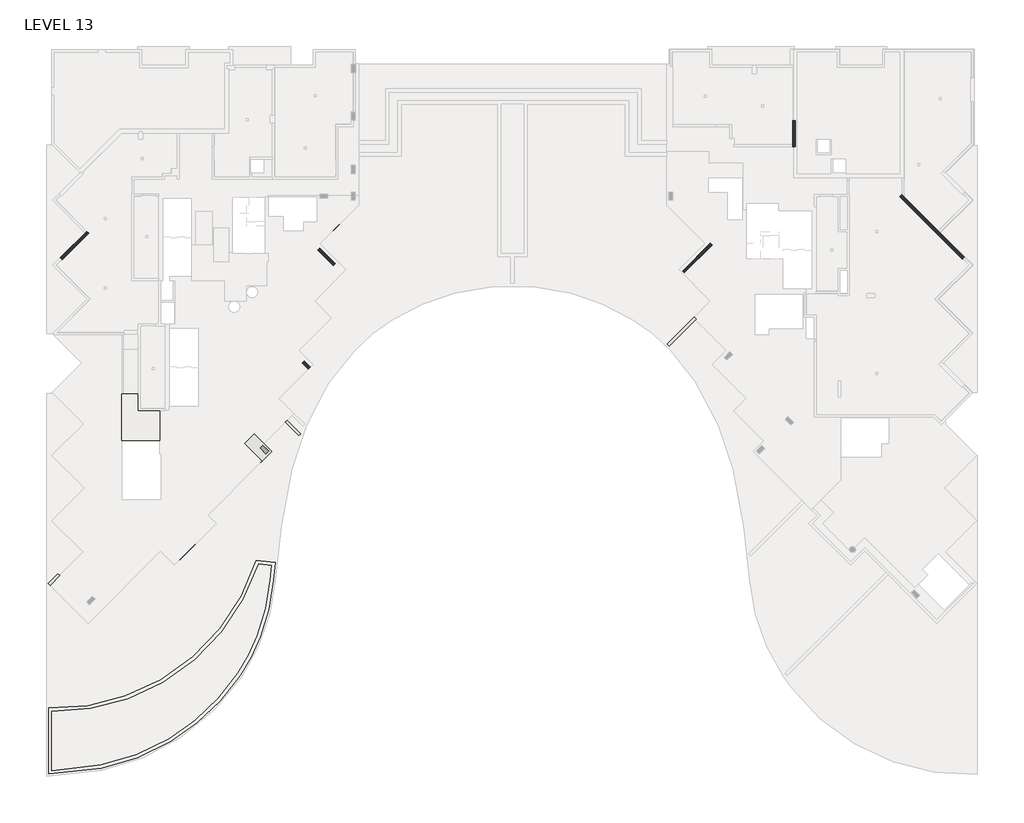
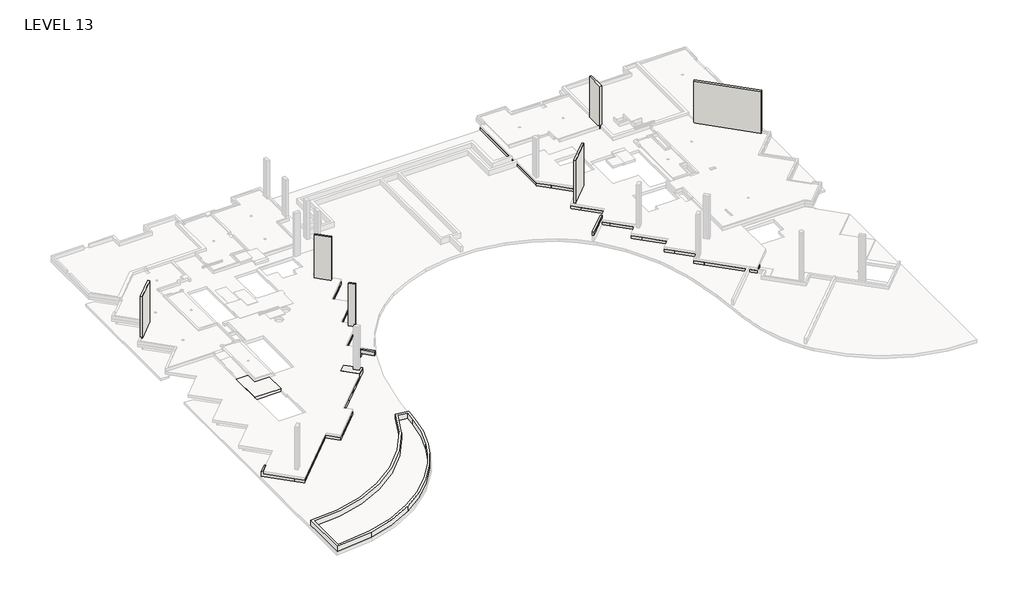
# One storey, part 1 of 5: 37 walls, 2 slabs.
"""IFC4 building model written with IfcOpenShell, lengths in millimetres."""

import ifcopenshell
import ifcopenshell.guid

model = None  # the IFC model being written
_history = None  # IfcOwnerHistory: only IFC2X3 demands one
_inside = {}  # id of a spatial element -> (the spatial element, [elements in it])
_under = {}  # id of a project, library or spatial element -> (it, [spatial elements below it])
_declared = {}  # id of a project -> (the project, [libraries it declares])
_typed = {}  # id of a type object -> (the type object, [elements of that type])
_made_of = {}  # id of a material, layer set ... -> (it, [elements and type objects made of it])


def new_model(schema):
    """Start an empty IFC model of exactly this schema.

    Asked for "IFC4X3", IfcOpenShell would pick the latest addendum, in which some entities
    have other attributes; the version numbers below select the first issue.
    IFC2X3 requires an IfcOwnerHistory on every rooted entity: one is made here for all.
    """
    global model, _history
    if schema == "IFC4X3":
        model = ifcopenshell.file(schema_version=(4, 3, 0, 0))
    else:
        model = ifcopenshell.file(schema=schema)
    _inside.clear()
    _under.clear()
    _declared.clear()
    _typed.clear()
    _made_of.clear()
    _history = None
    if model.schema == "IFC2X3":
        org = make("IfcOrganization", Name="unknown")
        user = make(
            "IfcPersonAndOrganization",
            ThePerson=make("IfcPerson", FamilyName="unknown"),
            TheOrganization=org,
        )
        app = make(
            "IfcApplication",
            ApplicationDeveloper=org,
            Version="unknown",
            ApplicationFullName="unknown",
            ApplicationIdentifier="unknown",
        )
        _history = make(
            "IfcOwnerHistory",
            OwningUser=user,
            OwningApplication=app,
            ChangeAction="ADDED",
            CreationDate=0,
        )
    return model


def make(cls, **values):
    """One entity of the class cls with the attributes given. An attribute that is None is left unset."""
    return model.create_entity(
        cls, **{name: value for name, value in values.items() if value is not None}
    )


def rooted(cls, **values):
    """An entity with a GlobalId (a new one), such as an element, a storey or a relation."""
    return make(cls, GlobalId=ifcopenshell.guid.new(), OwnerHistory=_history, **values)


def si_unit(unit_type, name, prefix=None):
    """IfcSIUnit, for example si_unit("LENGTHUNIT", "METRE", prefix="MILLI")."""
    return make("IfcSIUnit", UnitType=unit_type, Prefix=prefix, Name=name)


def assignment(units):
    """IfcUnitAssignment: the units of a project."""
    return None if units is None else make("IfcUnitAssignment", Units=units)


def point(xyz):
    """IfcCartesianPoint."""
    return None if xyz is None else make("IfcCartesianPoint", Coordinates=xyz)


def direction(xyz):
    """IfcDirection."""
    return None if xyz is None else make("IfcDirection", DirectionRatios=xyz)


def frame(location, z_axis=None, x_axis=None):
    """IfcAxis2Placement3D, a coordinate frame: its origin and axes. An axis left out is left unset."""
    return make(
        "IfcAxis2Placement3D",
        Location=point(location),
        Axis=direction(z_axis),
        RefDirection=direction(x_axis),
    )


def frame_2d(location, x_axis=None):
    """IfcAxis2Placement2D, a coordinate frame in the plane: its origin and x axis."""
    return make(
        "IfcAxis2Placement2D", Location=point(location), RefDirection=direction(x_axis)
    )


def origin():
    """The frame at (0, 0, 0) with its axes left unset."""
    return frame((0.0, 0.0, 0.0))


def place(relative_to, where):
    """IfcLocalPlacement: puts the frame where relative to a parent placement (None: the world)."""
    return make(
        "IfcLocalPlacement", PlacementRelTo=relative_to, RelativePlacement=where
    )


def context(
    kind, dimensions, precision=None, world=None, true_north=None, identifier=None
):
    """IfcGeometricRepresentationContext, for example the 3D "Model" context."""
    return make(
        "IfcGeometricRepresentationContext",
        ContextIdentifier=identifier,
        ContextType=kind,
        CoordinateSpaceDimension=dimensions,
        Precision=precision,
        WorldCoordinateSystem=world,
        TrueNorth=true_north,
    )


def project(units=None, contexts=None):
    """IfcProject with its units and contexts."""
    return rooted(
        "IfcProject",
        Name="project",
        RepresentationContexts=contexts,
        UnitsInContext=assignment(units),
    )


def spatial(cls, under=None, at=None, **own):
    """A site, building, storey or space (cls), placed at a placement, below another one or the project."""
    s = rooted(cls, ObjectPlacement=at, **own)
    if under is not None:
        _under.setdefault(under.id(), (under, []))[1].append(s)
    return s


def polyline(points):
    """IfcPolyline through the points."""
    return make("IfcPolyline", Points=[point(p) for p in points])


def circle_curve(where, radius):
    """IfcCircle in the frame where."""
    return make("IfcCircle", Position=where, Radius=radius)


def trimmed(basis, trim1, trim2, sense, master):
    """IfcTrimmedCurve: the piece of a basis curve between two trims."""
    return make(
        "IfcTrimmedCurve",
        BasisCurve=basis,
        Trim1=trim1,
        Trim2=trim2,
        SenseAgreement=sense,
        MasterRepresentation=master,
    )


def segment(curve, same_sense, transition):
    """IfcCompositeCurveSegment."""
    return make(
        "IfcCompositeCurveSegment",
        Transition=transition,
        SameSense=same_sense,
        ParentCurve=curve,
    )


def composite_curve(segments, self_intersect=None):
    """IfcCompositeCurve: segments joined end to end."""
    return make("IfcCompositeCurve", Segments=segments, SelfIntersect=self_intersect)


def outline(outer, holes=None, kind="AREA"):
    """IfcArbitraryClosedProfileDef: a profile drawn as a closed curve; with holes, ...WithVoids."""
    if holes is None:
        return make("IfcArbitraryClosedProfileDef", ProfileType=kind, OuterCurve=outer)
    return make(
        "IfcArbitraryProfileDefWithVoids",
        ProfileType=kind,
        OuterCurve=outer,
        InnerCurves=holes,
    )


def extrude(swept, where, along, depth):
    """IfcExtrudedAreaSolid: the profile swept, set in the frame where, extruded along a direction by depth."""
    return make(
        "IfcExtrudedAreaSolid",
        SweptArea=swept,
        Position=where,
        ExtrudedDirection=direction(along),
        Depth=depth,
    )


def faces_of(points, faces, orient=None, outer=None):
    """IfcFace entities. A face is a list of loops; a loop is a list of indices into points, from 0.

    orient and outer hold one flag for each loop. By default every Orientation is true, the
    first loop of a face is its IfcFaceOuterBound and the others are IfcFaceBound.
    """
    made = []
    for i, loops in enumerate(faces):
        bounds = []
        for j, loop in enumerate(loops):
            is_outer = j == 0 if outer is None else outer[i][j]
            bounds.append(
                make(
                    "IfcFaceOuterBound" if is_outer else "IfcFaceBound",
                    Bound=make("IfcPolyLoop", Polygon=[points[k] for k in loop]),
                    Orientation=True if orient is None else orient[i][j],
                )
            )
        made.append(make("IfcFace", Bounds=bounds))
    return made


def faceted_brep(points, faces, orient=None, outer=None, voids=None):
    """IfcFacetedBrep: a solid bounded by flat faces; with voids (closed shells), ...WithVoids."""
    shared = [point(p) for p in points]
    hull = make("IfcClosedShell", CfsFaces=faces_of(shared, faces, orient, outer))
    if voids is None:
        return make("IfcFacetedBrep", Outer=hull)
    return make(
        "IfcFacetedBrepWithVoids",
        Outer=hull,
        Voids=[
            make(cls, CfsFaces=faces_of(shared, fs, o, b)) for cls, fs, o, b in voids
        ],
    )


def shape(context_of_items, identifier, shape_type, items):
    """IfcShapeRepresentation: the items that make up one representation, for example the "Body"."""
    return make(
        "IfcShapeRepresentation",
        ContextOfItems=context_of_items,
        RepresentationIdentifier=identifier,
        RepresentationType=shape_type,
        Items=items,
    )


def made_of(thing, what):
    """Note that an element or type object is made of a material, layer set ...; save() writes the relation."""
    if what is not None:
        _made_of.setdefault(what.id(), (what, []))[1].append(thing)
    return thing


def element(
    cls,
    number,
    at=None,
    inside=None,
    cuts=None,
    type_object=None,
    material=None,
    context=None,
    identifier="Body",
    shape_type=None,
    held_by="IfcProductDefinitionShape",
    body=None,
    shapes=None,
    **own,
):
    """One element of the class cls, such as IfcWall. Its Tag is "e" and its number.

    at: its placement. inside: the storey or other place that contains it. cuts: it is an
    opening in that element (IfcRelVoidsElement). A single representation is given by context,
    identifier, shape_type and body (its items); several are given by shapes. held_by: the class
    of the entity that holds the representations. save() writes the other relations.
    """
    e = rooted(cls, Tag="e%d" % number, ObjectPlacement=at, **own)
    if body is not None:
        shapes = [shape(context, identifier, shape_type, body)]
    if shapes is not None:
        e.Representation = make(held_by, Representations=shapes)
    if inside is not None:
        _inside.setdefault(inside.id(), (inside, []))[1].append(e)
    if cuts is not None:
        rooted(
            "IfcRelVoidsElement", RelatingBuildingElement=cuts, RelatedOpeningElement=e
        )
    if type_object is not None:
        _typed.setdefault(type_object.id(), (type_object, []))[1].append(e)
    return made_of(e, material)


def aggregate(whole, parts):
    """IfcRelAggregates: a whole, such as a stair, and the parts it consists of."""
    return rooted("IfcRelAggregates", RelatingObject=whole, RelatedObjects=parts)


def save(model, path):
    """Write the relations noted so far, then the file.

    IfcRelAggregates (storeys below a building ...), IfcRelContainedInSpatialStructure (elements
    in a storey), IfcRelDefinesByType, IfcRelAssociatesMaterial and IfcRelDeclares: one each for
    every whole, place, type object, material and project.
    """
    for whole, parts in _under.values():
        aggregate(whole, parts)
    for where, things in _inside.values():
        rooted(
            "IfcRelContainedInSpatialStructure",
            RelatedElements=things,
            RelatingStructure=where,
        )
    for kind, things in _typed.values():
        rooted("IfcRelDefinesByType", RelatedObjects=things, RelatingType=kind)
    for what, things in _made_of.values():
        rooted("IfcRelAssociatesMaterial", RelatedObjects=things, RelatingMaterial=what)
    for by, libraries in _declared.values():
        rooted("IfcRelDeclares", RelatingContext=by, RelatedDefinitions=libraries)
    model.write(path)


model = new_model("IFC4")

# Units and contexts
model_context = context("Model", 3, world=origin())
ifc_project = project(units=[si_unit("LENGTHUNIT", "METRE", prefix="MILLI")], contexts=[model_context])

# Site, building, storey
site = spatial("IfcSite", under=ifc_project)
building = spatial("IfcBuilding", under=site)
storey = spatial("IfcBuildingStorey", under=building, Name="LEVEL 13", Elevation=41350.0)

# Slabs
placement = place(None, origin())
element("IfcSlab", 1, ObjectType="300 TRANSFER SLAB", at=placement, inside=storey, context=model_context, shape_type="Brep", body=[
    faceted_brep([(185466.1489175, 191683.2322067, 41100.0), (185466.1489175, 191543.2322067, 41100.0), (185466.1489175, 189323.8372685, 41100.0), (182656.1019659, 189323.8372685, 41100.0), (182656.1019659, 191543.2322067, 41100.0), (182656.1019659, 192783.2322067, 41100.0), (184036.1019659, 192783.2322067, 41100.0), (184036.1019659, 191683.2322067, 41100.0), (185466.1489175, 191683.2322067, 41400.0), (184036.1019659, 191683.2322067, 41400.0), (184036.1019659, 192783.2322067, 41400.0), (182656.1019659, 192783.2322067, 41400.0), (182656.1019659, 189323.8372685, 41400.0), (185466.1489175, 189323.8372685, 41400.0), (185466.1489175, 191683.2322067, 41350.0), (182656.1019659, 192783.2322067, 41350.0), (184036.1019659, 191683.2322067, 41350.0), (184036.1019659, 192783.2322067, 41350.0)], [[[0, 1, 2, 3, 4, 5, 6, 7]], [[8, 9, 10, 11, 12, 13]], [[2, 1, 0, 14, 8, 13]], [[3, 2, 13, 12]], [[5, 4, 3, 12, 11, 15]], [[0, 7, 16, 9, 8, 14]], [[6, 5, 15, 11, 10, 17]], [[7, 6, 17, 10, 9, 16]]]),
])
element("IfcSlab", 2, ObjectType="F2A - 600mm Concrete Curb", at=placement, inside=storey, context=model_context, shape_type="SweptSolid", body=[
    extrude(outline(composite_curve([segment(trimmed(circle_curve(frame_2d((293797.1773119, 169543.6248485)), 100352.6461657), [point((194022.8653616, 180301.8899171))], [point((193887.856343, 178966.0011928))], True, "CARTESIAN"), True, "CONTINUOUS"), segment(trimmed(circle_curve(frame_2d((178990.5163784, 180219.1815638)), 14949.9564903), [point((193887.856343, 178966.0011928))], [point((192908.733105, 174761.6691073))], False, "CARTESIAN"), True, "CONTINUOUS"), segment(trimmed(circle_curve(frame_2d((178990.5163784, 180219.1815638)), 14949.9564903), [point((192908.733105, 174761.6691073))], [point((191439.7491399, 171941.6334539))], False, "CARTESIAN"), True, "CONTINUOUS"), segment(trimmed(circle_curve(frame_2d((177962.3976398, 180907.5137343)), 16187.2175701), [point((191439.7491399, 171941.6334539))], [point((186277.1750063, 167019.0116551))], False, "CARTESIAN"), True, "CONTINUOUS"), segment(trimmed(circle_curve(frame_2d((177962.3665825, 180907.5656106)), 16187.2780325), [point((186277.1750063, 167019.0116551))], [point((181143.7994372, 165036.0044053))], False, "CARTESIAN"), True, "CONTINUOUS"), segment(trimmed(circle_curve(frame_2d((176795.5352327, 186728.6644771)), 22124.1700992), [point((181143.7994372, 165036.0044053))], [point((177240.3148824, 164608.9657078))], False, "CARTESIAN"), True, "CONTINUOUS"), segment(polyline([(177240.3148824, 164608.9657078), (177240.3148824, 169501.0608607)]), True, "CONTINUOUS"), segment(trimmed(circle_curve(frame_2d((177709.376117, 185149.056286)), 15655.0240905), [point((177240.3148824, 169501.0608607))], [point((192641.4620676, 180446.6538748))], True, "CARTESIAN"), True, "CONTINUOUS"), segment(polyline([(192641.4620676, 180446.6538748), (194022.8653616, 180301.8899171)]), True, "CONTINUOUS")], self_intersect=False), holes=[composite_curve([segment(polyline([(193747.7353093, 180079.3531341), (192817.2254954, 180176.865775)]), True, "CONTINUOUS"), segment(trimmed(circle_curve(frame_2d((177709.376117, 185149.056286)), 15905.0240905), [point((192817.2254954, 180176.865775))], [point((177490.3148824, 169245.5408415))], False, "CARTESIAN"), True, "CONTINUOUS"), segment(polyline([(177490.3148824, 169245.5408415), (177490.3148824, 164865.5311525)]), True, "CONTINUOUS"), segment(trimmed(circle_curve(frame_2d((176795.5352327, 186728.6644771)), 21874.1700992), [point((177490.3148824, 164865.5311525))], [point((181094.6646653, 165281.1284029))], True, "CARTESIAN"), True, "CONTINUOUS"), segment(trimmed(circle_curve(frame_2d((177962.3665825, 180907.5656106)), 15937.2780325), [point((181094.6646653, 165281.1284029))], [point((186148.7592158, 167233.5096381))], True, "CARTESIAN"), True, "CONTINUOUS"), segment(trimmed(circle_curve(frame_2d((177962.3976398, 180907.5137343)), 15937.2175701), [point((186148.7592158, 167233.5096381))], [point((191231.5842253, 172080.0797224))], True, "CARTESIAN"), True, "CONTINUOUS"), segment(trimmed(circle_curve(frame_2d((178990.5163784, 180219.1815638)), 14699.9564903), [point((191231.5842253, 172080.0797224))], [point((192675.9863285, 174852.932123))], True, "CARTESIAN"), True, "CONTINUOUS"), segment(trimmed(circle_curve(frame_2d((178990.5163784, 180219.1815638)), 14699.9564903), [point((192675.9863285, 174852.932123))], [point((193638.8415649, 178988.2103828))], True, "CARTESIAN"), True, "CONTINUOUS"), segment(trimmed(circle_curve(frame_2d((293797.1773119, 169543.6248485)), 100602.6461657), [point((193638.8415649, 178988.2103828))], [point((193747.7353093, 180079.3531341))], False, "CARTESIAN"), True, "CONTINUOUS")], self_intersect=False)]), frame((0.0, 0.0, 40750.0), z_axis=(0.0, 0.0, 1.0), x_axis=(1.0, 0.0, 0.0)), (0.0, 0.0, 1.0), 600.0),
])

# Walls
element("IfcWall", 3, ObjectType="1000 WALL BEAM", at=placement, inside=storey, context=model_context, shape_type="Brep", body=[
    faceted_brep([(199218.1920448, 207197.6293442, 40750.0), (199218.1920448, 205783.4157818, 40750.0), (199218.1920448, 205783.4157818, 41050.0), (199218.1920448, 207197.6293442, 41050.0), (199218.1920448, 217185.0490053, 41050.0), (199218.1920448, 217185.0490053, 40750.0), (200218.1920448, 206783.4157818, 40750.0), (200218.1920448, 217185.0490053, 40750.0), (200218.1920448, 217185.0490053, 41050.0), (200218.1920448, 207468.1983002, 41050.0), (200218.1920448, 206783.4157818, 41050.0)], [[[0, 1, 2, 3, 4, 5]], [[6, 7, 8, 9, 10]], [[7, 5, 4, 8]], [[1, 6, 10, 2]], [[1, 0, 5, 7, 6]], [[8, 4, 3, 2, 10, 9]]]),
])
element("IfcWall", 4, ObjectType="1000 WALL BEAM", at=placement, inside=storey, context=model_context, shape_type="Brep", body=[
    faceted_brep([(199218.1920448, 207197.6293442, 40450.0), (195931.5445876, 203910.9818869, 40450.0), (195931.5445876, 203910.9818869, 41050.0), (199218.1920448, 207197.6293442, 41050.0), (196638.6513687, 203203.8751057, 40450.0), (199218.1920448, 205783.4157818, 40450.0), (199218.1920448, 205783.4157818, 40750.0), (199218.1920448, 205783.4157818, 41050.0), (197345.7581499, 203910.9818869, 41050.0), (196638.6513687, 203203.8751057, 41050.0), (196638.6513687, 203203.8751057, 40750.0)], [[[0, 1, 2, 3]], [[4, 5, 6, 7, 8, 9, 10]], [[1, 0, 5, 4]], [[5, 0, 3, 7, 6]], [[1, 4, 10, 9, 2]], [[3, 2, 9, 8, 7]]]),
])
element("IfcWall", 5, ObjectType="1000 WALL BEAM", at=placement, inside=storey, context=model_context, shape_type="Brep", body=[
    faceted_brep([(197855.4779825, 201987.048492, 40750.0), (198562.5847637, 201279.9417108, 40750.0), (198562.5847637, 201279.9417108, 41050.0), (196638.6513687, 203203.8751057, 41050.0), (196638.6513687, 203203.8751057, 40750.0), (199269.6915449, 201987.048492, 40750.0), (197345.7581499, 203910.9818869, 40750.0), (197345.7581499, 203910.9818869, 41050.0), (199269.6915449, 201987.048492, 41050.0)], [[[0, 1, 2, 3, 4]], [[5, 6, 7, 8]], [[6, 4, 3, 7]], [[1, 5, 8, 2]], [[1, 0, 4, 6, 5]], [[3, 2, 8, 7]]]),
])
element("IfcWall", 6, ObjectType="1000 WALL BEAM", at=placement, inside=storey, context=model_context, shape_type="SweptSolid", body=[
    extrude(outline(polyline([(196243.2745214, 200374.8450309), (197855.4779825, 201987.048492), (198562.5847637, 201279.9417108), (196950.3813026, 199667.7382497), (196243.2745214, 200374.8450309)])), frame((0.0, 0.0, 40750.0), z_axis=(0.0, 0.0, 1.0), x_axis=(1.0, 0.0, 0.0)), (0.0, 0.0, 1.0), 300.0),
])
element("IfcWall", 7, ObjectType="1000 WALL BEAM", at=placement, inside=storey, context=model_context, shape_type="Brep", body=[
    faceted_brep([(195536.1677402, 199667.7382497, 40450.0), (196780.8421871, 198423.0638028, 40450.0), (197487.9489683, 197715.9570216, 40450.0), (197487.9489683, 197715.9570216, 41050.0), (195536.1677402, 199667.7382497, 41050.0), (198195.0557495, 198423.0638028, 40450.0), (196950.3813026, 199667.7382497, 40450.0), (196243.2745214, 200374.8450309, 40450.0), (196243.2745214, 200374.8450309, 41050.0), (196950.3813026, 199667.7382497, 41050.0), (198195.0557495, 198423.0638028, 41050.0)], [[[0, 1, 2, 3, 4]], [[5, 6, 7, 8, 9, 10]], [[2, 1, 0, 7, 6, 5]], [[7, 0, 4, 8]], [[2, 5, 10, 3]], [[4, 3, 10, 9, 8]]]),
])
element("IfcWall", 8, ObjectType="1000 WALL BEAM", at=placement, inside=storey, context=model_context, shape_type="SweptSolid", body=[
    extrude(outline(polyline([(195069.6437766, 196711.8653923), (196780.8421871, 198423.0638028), (197487.9489683, 197715.9570216), (195776.7505578, 196004.7586111), (195069.6437766, 196711.8653923)])), frame((0.0, 0.0, 40450.0), z_axis=(0.0, 0.0, 1.0), x_axis=(1.0, 0.0, 0.0)), (0.0, 0.0, 1.0), 600.0),
])
element("IfcWall", 9, ObjectType="1000 WALL BEAM", at=placement, inside=storey, context=model_context, shape_type="Brep", body=[
    faceted_brep([(194362.5369954, 196004.7586111, 40450.0), (195403.5425579, 194963.7530487, 40450.0), (196110.6493391, 194256.6462675, 40450.0), (196110.6493391, 194256.6462675, 41050.0), (195403.5425579, 194963.7530487, 41050.0), (194362.5369954, 196004.7586111, 41050.0), (196817.7561203, 194963.7530487, 40450.0), (195776.7505578, 196004.7586111, 40450.0), (195069.6437766, 196711.8653923, 40450.0), (195069.6437766, 196711.8653923, 41050.0), (195776.7505578, 196004.7586111, 41050.0), (196817.7561203, 194963.7530487, 41050.0)], [[[0, 1, 2, 3, 4, 5]], [[6, 7, 8, 9, 10, 11]], [[2, 1, 0, 8, 7, 6]], [[8, 0, 5, 9]], [[2, 6, 11, 3]], [[5, 4, 3, 11, 10, 9]]]),
])
element("IfcWall", 10, ObjectType="1000 WALL BEAM", at=placement, inside=storey, context=model_context, shape_type="SweptSolid", body=[
    extrude(outline(polyline([(193600.4202659, 193160.6307567), (195403.5425579, 194963.7530487), (196110.6493391, 194256.6462675), (194307.527047, 192453.5239755), (193600.4202659, 193160.6307567)])), frame((0.0, 0.0, 40450.0), z_axis=(0.0, 0.0, 1.0), x_axis=(1.0, 0.0, 0.0)), (0.0, 0.0, 1.0), 600.0),
])
element("IfcWall", 11, ObjectType="1000 WALL BEAM", at=placement, inside=storey, context=model_context, shape_type="Brep", body=[
    faceted_brep([(192893.3134847, 192453.5239755, 40450.0), (194006.859377, 191339.9780831, 40450.0), (194713.9661582, 190632.8713019, 40450.0), (194713.9661582, 190632.8713019, 41050.0), (192893.3134847, 192453.5239755, 41050.0), (195421.0729394, 191339.9780831, 40450.0), (194307.527047, 192453.5239755, 40450.0), (193600.4202659, 193160.6307567, 40450.0), (193600.4202659, 193160.6307567, 41050.0), (194307.527047, 192453.5239755, 41050.0), (195421.0729394, 191339.9780831, 41050.0)], [[[0, 1, 2, 3, 4]], [[5, 6, 7, 8, 9, 10]], [[2, 1, 0, 7, 6, 5]], [[7, 0, 4, 8]], [[2, 5, 10, 3]], [[4, 3, 10, 9, 8]]]),
])
element("IfcWall", 12, ObjectType="1000 WALL BEAM", at=placement, inside=storey, context=model_context, shape_type="SweptSolid", body=[
    extrude(outline(polyline([(192486.5857259, 189819.7044319), (194006.859377, 191339.9780831), (194713.9661582, 190632.8713019), (193193.6925071, 189112.5976507), (192486.5857259, 189819.7044319)])), frame((0.0, 0.0, 40450.0), z_axis=(0.0, 0.0, 1.0), x_axis=(1.0, 0.0, 0.0)), (0.0, 0.0, 1.0), 600.0),
])
element("IfcWall", 13, ObjectType="1000 WALL BEAM", at=placement, inside=storey, context=model_context, shape_type="Brep", body=[
    faceted_brep([(191779.4789447, 189112.5976507, 40450.0), (192365.9623062, 188526.1142892, 40450.0), (193073.0690874, 187819.007508, 40450.0), (193073.0690874, 187819.007508, 41350.0), (192365.9623062, 188526.1142892, 41350.0), (191779.4789447, 189112.5976507, 41350.0), (192486.5857259, 189819.7044319, 40450.0), (192486.5857259, 189819.7044319, 41350.0), (193193.6925071, 189112.5976507, 41350.0), (193780.1758686, 188526.1142892, 41350.0), (193780.1758686, 188526.1142892, 40450.0), (193193.6925071, 189112.5976507, 40450.0)], [[[0, 1, 2, 3, 4, 5]], [[6, 7, 8, 9, 10, 11]], [[2, 1, 0, 6, 11, 10]], [[5, 4, 3, 9, 8, 7]], [[0, 5, 7, 6]], [[3, 2, 10, 9]]]),
])
element("IfcWall", 14, ObjectType="1000 WALL BEAM", at=placement, inside=storey, context=model_context, shape_type="Brep", body=[
    faceted_brep([(192365.9623062, 188526.1142892, 40450.0), (188335.2615272, 184495.4135102, 40450.0), (188335.2615272, 184495.4135102, 41050.0), (192365.9623062, 188526.1142892, 41050.0), (189042.3683084, 183788.306729, 40450.0), (193073.0690874, 187819.007508, 40450.0), (193073.0690874, 187819.007508, 41050.0), (192793.2930956, 187539.2315162, 41050.0), (189042.3683084, 183788.306729, 41050.0)], [[[0, 1, 2, 3]], [[4, 5, 6, 7, 8]], [[1, 0, 5, 4]], [[5, 0, 3, 6]], [[1, 4, 8, 2]], [[3, 2, 8, 7, 6]]]),
])
element("IfcWall", 15, ObjectType="1000 WALL BEAM", at=placement, inside=storey, context=model_context, shape_type="Brep", body=[
    faceted_brep([(187628.154746, 183788.306729, 40450.0), (188238.0107908, 183178.4506842, 40450.0), (188945.117572, 182471.343903, 40450.0), (188945.117572, 182471.343903, 41050.0), (188238.0107908, 183178.4506842, 41050.0), (187628.154746, 183788.306729, 41050.0), (189652.2243532, 183178.4506842, 40450.0), (189042.3683084, 183788.306729, 40450.0), (188335.2615272, 184495.4135102, 40450.0), (188335.2615272, 184495.4135102, 41050.0), (189042.3683084, 183788.306729, 41050.0), (189652.2243532, 183178.4506842, 41050.0)], [[[0, 1, 2, 3, 4, 5]], [[6, 7, 8, 9, 10, 11]], [[2, 1, 0, 8, 7, 6]], [[8, 0, 5, 9]], [[2, 6, 11, 3]], [[5, 4, 3, 11, 10, 9]]]),
])
element("IfcWall", 16, ObjectType="1000 WALL BEAM", at=placement, inside=storey, context=model_context, shape_type="SweptSolid", body=[
    extrude(outline(polyline([(186569.2233418, 181509.6632352), (188238.0107908, 183178.4506842), (188945.117572, 182471.343903), (187276.330123, 180802.5564541), (186569.2233418, 181509.6632352)])), frame((0.0, 0.0, 40450.0), z_axis=(0.0, 0.0, 1.0), x_axis=(1.0, 0.0, 0.0)), (0.0, 0.0, 1.0), 600.0),
])
element("IfcWall", 17, ObjectType="1000 WALL BEAM", at=placement, inside=storey, context=model_context, shape_type="Brep", body=[
    faceted_brep([(187276.330123, 180802.5564541, 40450.0), (186569.2233418, 181509.6632352, 40450.0), (185528.0555566, 182550.8310205, 40450.0), (185528.0555566, 182550.8310205, 41050.0), (186569.2233418, 181509.6632352, 41050.0), (187276.330123, 180802.5564541, 41050.0), (184820.9487754, 181843.7242393, 40450.0), (185528.0555566, 181136.6174581, 40450.0), (186569.2233418, 180095.4496729, 40450.0), (186569.2233418, 180095.4496729, 41050.0), (185528.0555566, 181136.6174581, 41050.0), (184820.9487754, 181843.7242393, 41050.0)], [[[0, 1, 2, 3, 4, 5]], [[6, 7, 8, 9, 10, 11]], [[2, 1, 0, 8, 7, 6]], [[8, 0, 5, 9]], [[2, 6, 11, 3]], [[5, 4, 3, 11, 10, 9]]]),
])
element("IfcWall", 18, ObjectType="1000 WALL BEAM", at=placement, inside=storey, context=model_context, shape_type="Brep", body=[
    faceted_brep([(184820.9487754, 181843.7242393, 40450.0), (180177.6999083, 177200.4753722, 40450.0), (179470.5931271, 176493.368591, 40450.0), (179470.5931271, 176493.368591, 41050.0), (184820.9487754, 181843.7242393, 41050.0), (180177.6999083, 175786.2618098, 40450.0), (185528.0555566, 181136.6174581, 40450.0), (185528.0555566, 181136.6174581, 41050.0), (180177.6999083, 175786.2618098, 41050.0)], [[[0, 1, 2, 3, 4]], [[5, 6, 7, 8]], [[2, 1, 0, 6, 5]], [[6, 0, 4, 7]], [[2, 5, 8, 3]], [[4, 3, 8, 7]]]),
])
element("IfcWall", 19, ObjectType="1000 WALL BEAM", at=placement, inside=storey, context=model_context, shape_type="SweptSolid", body=[
    extrude(outline(polyline([(-4178.9799004, 0.0), (-1000.0, 0.0), (-1000.0, -600.0), (-3988.9799003, -600.0), (-3988.9799003, -900.0), (-4178.9799004, -900.0), (-4178.9799004, 0.0)])), frame((180177.6999083, 175786.2618098, 40450.0), z_axis=(0.7071067811865517, 0.7071067811865434, 0.0), x_axis=(0.7071067811865434, -0.7071067811865517, 0.0)), (0.0, 0.0, 1.0), 1000.0),
])
element("IfcWall", 20, ObjectType="1000 WALL BEAM", at=placement, inside=storey, context=model_context, shape_type="Brep", body=[
    faceted_brep([(223042.0250868, 217242.6490053, 40750.0), (223042.0250868, 206792.5991942, 40750.0), (223042.0250868, 206792.5991942, 41050.0), (223042.0250868, 217242.6490053, 41050.0), (224042.0250868, 207206.8127566, 40750.0), (224042.0250868, 217242.6490053, 40750.0), (224042.0250868, 217242.6490053, 41050.0), (224042.0250868, 205792.5991942, 41050.0), (224042.0250868, 205792.5991942, 40750.0), (223232.0250868, 217242.6490053, 41050.0)], [[[0, 1, 2, 3]], [[4, 5, 6, 7, 8]], [[5, 0, 3, 9, 6]], [[1, 8, 7, 2]], [[1, 0, 5, 4, 8]], [[2, 7, 6, 9, 3]]]),
])
element("IfcWall", 21, ObjectType="1000 WALL BEAM", at=placement, inside=storey, context=model_context, shape_type="Brep", body=[
    faceted_brep([(224042.0250868, 205792.5991942, 40450.0), (225901.3729607, 203933.2513203, 40450.0), (226608.4797419, 203226.1445391, 40450.0), (226608.4797419, 203226.1445391, 41050.0), (225901.3729607, 203933.2513203, 41050.0), (224042.0250868, 205792.5991942, 41050.0), (224042.0250868, 205792.5991942, 40750.0), (227315.5865231, 203933.2513203, 40450.0), (224042.0250868, 207206.8127566, 40450.0), (224042.0250868, 207206.8127566, 41050.0), (227315.5865231, 203933.2513203, 41050.0)], [[[0, 1, 2, 3, 4, 5, 6]], [[7, 8, 9, 10]], [[2, 1, 0, 8, 7]], [[8, 0, 6, 5, 9]], [[2, 7, 10, 3]], [[4, 3, 10, 9, 5]]]),
])
element("IfcWall", 22, ObjectType="1000 WALL BEAM", at=placement, inside=storey, context=model_context, shape_type="Brep", body=[
    faceted_brep([(225901.3729607, 203933.2513203, 40450.0), (223955.1662974, 201987.044657, 40450.0), (223955.1662974, 201987.044657, 41050.0), (225901.3729607, 203933.2513203, 41050.0), (224662.2730786, 201279.9378758, 40450.0), (225369.3798598, 201987.044657, 40450.0), (226608.4797419, 203226.1445391, 40450.0), (226608.4797419, 203226.1445391, 41050.0), (224662.2730786, 201279.9378758, 41050.0)], [[[0, 1, 2, 3]], [[4, 5, 6, 7, 8]], [[1, 0, 6, 5, 4]], [[6, 0, 3, 7]], [[1, 4, 8, 2]], [[3, 2, 8, 7]]]),
])
element("IfcWall", 23, ObjectType="1000 WALL BEAM", at=placement, inside=storey, context=model_context, shape_type="SweptSolid", body=[
    extrude(outline(polyline([(226274.6601941, 199667.5507604), (224662.2730786, 201279.9378758), (225369.3798598, 201987.044657), (226981.7669753, 200374.6575415), (226274.6601941, 199667.5507604)])), frame((0.0, 0.0, 40450.0), z_axis=(0.0, 0.0, 1.0), x_axis=(1.0, 0.0, 0.0)), (0.0, 0.0, 1.0), 600.0),
])
element("IfcWall", 24, ObjectType="1000 WALL BEAM", at=placement, inside=storey, context=model_context, shape_type="Brep", body=[
    faceted_brep([(226981.7669753, 200374.6575415, 40450.0), (226274.6601941, 199667.5507604, 40450.0), (225029.9857472, 198422.8763135, 40450.0), (225029.9857472, 198422.8763135, 41050.0), (226274.6601941, 199667.5507604, 41050.0), (226981.7669753, 200374.6575415, 41050.0), (225737.0925284, 197715.7695323, 40450.0), (226444.1993095, 198422.8763135, 40450.0), (227688.8737564, 199667.5507604, 40450.0), (227688.8737564, 199667.5507604, 41050.0), (225737.0925284, 197715.7695323, 41050.0)], [[[0, 1, 2, 3, 4, 5]], [[6, 7, 8, 9, 10]], [[2, 1, 0, 8, 7, 6]], [[8, 0, 5, 9]], [[2, 6, 10, 3]], [[4, 3, 10, 9, 5]]]),
])
element("IfcWall", 25, ObjectType="1000 WALL BEAM", at=placement, inside=storey, context=model_context, shape_type="SweptSolid", body=[
    extrude(outline(polyline([(227448.2850104, 196004.5770502), (225737.0925284, 197715.7695323), (226444.1993095, 198422.8763135), (228155.3917916, 196711.6838314), (227448.2850104, 196004.5770502)])), frame((0.0, 0.0, 40450.0), z_axis=(0.0, 0.0, 1.0), x_axis=(1.0, 0.0, 0.0)), (0.0, 0.0, 1.0), 600.0),
])
element("IfcWall", 26, ObjectType="1000 WALL BEAM", at=placement, inside=storey, context=model_context, shape_type="Brep", body=[
    faceted_brep([(228155.3917916, 196711.6838314, 40450.0), (227448.2850104, 196004.5770502, 40450.0), (226407.4669372, 194963.7589771, 40450.0), (226407.4669372, 194963.7589771, 41050.0), (227448.2850104, 196004.5770502, 41050.0), (228155.3917916, 196711.6838314, 41050.0), (227114.5737184, 194256.6521959, 40450.0), (227821.6804996, 194963.7589771, 40450.0), (228862.4985728, 196004.5770502, 40450.0), (228862.4985728, 196004.5770502, 41050.0), (227114.5737184, 194256.6521959, 41050.0)], [[[0, 1, 2, 3, 4, 5]], [[6, 7, 8, 9, 10]], [[2, 1, 0, 8, 7, 6]], [[8, 0, 5, 9]], [[2, 6, 10, 3]], [[4, 3, 10, 9, 5]]]),
])
element("IfcWall", 27, ObjectType="1000 WALL BEAM", at=placement, inside=storey, context=model_context, shape_type="SweptSolid", body=[
    extrude(outline(polyline([(228917.5144496, 192453.7114648), (227114.5737184, 194256.6521959), (227821.6804996, 194963.7589771), (229624.6212307, 193160.818246), (228917.5144496, 192453.7114648)])), frame((0.0, 0.0, 40450.0), z_axis=(0.0, 0.0, 1.0), x_axis=(1.0, 0.0, 0.0)), (0.0, 0.0, 1.0), 600.0),
])
element("IfcWall", 28, ObjectType="1000 WALL BEAM", at=placement, inside=storey, context=model_context, shape_type="Brep", body=[
    faceted_brep([(229624.6212307, 193160.818246, 40450.0), (228917.5144496, 192453.7114648, 40450.0), (227985.8502191, 191522.0472343, 40450.0), (227985.8502191, 191522.0472343, 41050.0), (228917.5144496, 192453.7114648, 41050.0), (229624.6212307, 193160.818246, 41050.0), (228692.9570003, 190814.9404531, 40450.0), (229400.0637814, 191522.0472343, 40450.0), (230331.7280119, 192453.7114648, 40450.0), (230331.7280119, 192453.7114648, 41050.0), (229400.0637814, 191522.0472343, 41050.0), (228692.9570003, 190814.9404531, 41050.0)], [[[0, 1, 2, 3, 4, 5]], [[6, 7, 8, 9, 10, 11]], [[2, 1, 0, 8, 7, 6]], [[8, 0, 5, 9]], [[2, 6, 11, 3]], [[4, 3, 11, 10, 9, 5]]]),
])
element("IfcWall", 29, ObjectType="1000 WALL BEAM", at=placement, inside=storey, context=model_context, shape_type="SweptSolid", body=[
    extrude(outline(polyline([(230213.3118296, 189294.5856237), (228692.9570003, 190814.9404531), (229400.0637814, 191522.0472343), (230920.4186108, 190001.6924049), (230213.3118296, 189294.5856237)])), frame((0.0, 0.0, 40450.0), z_axis=(0.0, 0.0, 1.0), x_axis=(1.0, 0.0, 0.0)), (0.0, 0.0, 1.0), 600.0),
])
element("IfcWall", 30, ObjectType="1000 WALL BEAM", at=placement, inside=storey, context=model_context, shape_type="Brep", body=[
    faceted_brep([(230920.4186108, 190001.6924049, 40450.0), (230213.3118296, 189294.5856237, 40450.0), (229444.9468062, 188526.2206003, 40450.0), (229444.9468062, 188526.2206003, 41050.0), (230213.3118296, 189294.5856237, 41050.0), (230920.4186108, 190001.6924049, 41050.0), (230152.0535874, 187819.1138191, 40450.0), (230859.1603686, 188526.2206003, 40450.0), (231627.525392, 189294.5856237, 40450.0), (231627.525392, 189294.5856237, 41050.0), (230859.1603686, 188526.2206003, 41050.0), (230152.0535874, 187819.1138191, 41050.0)], [[[0, 1, 2, 3, 4, 5]], [[6, 7, 8, 9, 10, 11]], [[2, 1, 0, 8, 7, 6]], [[8, 0, 5, 9]], [[2, 6, 11, 3]], [[4, 3, 11, 10, 9, 5]]]),
])
element("IfcWall", 31, ObjectType="1000 WALL BEAM", at=placement, inside=storey, context=model_context, shape_type="Brep", body=[
    faceted_brep([(233753.4842727, 184217.6831338, 41050.0), (230152.0535874, 187819.1138191, 41050.0), (230152.0535874, 187819.1138191, 40750.0), (233753.4842727, 184217.6831338, 40750.0), (230859.1603686, 188526.2206003, 41050.0), (234248.4590196, 185136.9219493, 41050.0), (234460.5910539, 184924.789915, 41050.0), (234460.5910539, 184924.789915, 40750.0), (234248.4590196, 185136.9219493, 40750.0), (230859.1603686, 188526.2206003, 40750.0)], [[[0, 1, 2, 3]], [[4, 5, 6, 7, 8, 9]], [[6, 0, 3, 7]], [[1, 4, 9, 2]], [[1, 0, 6, 5, 4]], [[3, 2, 9, 8, 7]]]),
])
element("IfcWall", 32, ObjectType="200 CURB", at=placement, inside=storey, context=model_context, shape_type="SweptSolid", body=[
    extrude(outline(polyline([(195773.6391681, 189686.335377), (194770.5347007, 190689.4398444), (194911.956057, 190830.8612006), (195915.0605243, 189827.7567333), (195773.6391681, 189686.335377)])), frame((0.0, 0.0, 41350.0), z_axis=(0.0, 0.0, 1.0), x_axis=(1.0, 0.0, 0.0)), (0.0, 0.0, 1.0), 400.0),
])
element("IfcWall", 33, ObjectType="200 CURB", at=placement, inside=storey, context=model_context, shape_type="SweptSolid", body=[
    extrude(outline(polyline([(223080.1387981, 196473.0293643), (225088.3220566, 198481.2126229), (225229.7434129, 198339.7912667), (223221.5601543, 196331.6080081), (223080.1387981, 196473.0293643)])), frame((0.0, 0.0, 41350.0), z_axis=(0.0, 0.0, 1.0), x_axis=(1.0, 0.0, 0.0)), (0.0, 0.0, 1.0), 400.0),
])
element("IfcWall", 34, ObjectType="200 WALL", at=placement, inside=storey, context=model_context, shape_type="Brep", body=[
    faceted_brep([(240306.3015664, 207404.2876251, 41350.0), (242926.5996054, 204783.9895861, 41350.0), (243138.7316397, 204571.8575518, 41350.0), (244928.1874235, 202782.401768, 41350.0), (244928.1874235, 202782.401768, 46250.0), (240306.3015664, 207404.2876251, 46250.0), (240447.7229227, 207545.7089813, 41350.0), (240447.7229227, 207545.7089813, 46250.0), (245069.6087797, 202923.8231243, 46250.0), (245069.6087797, 202923.8231243, 41350.0)], [[[0, 1, 2, 3, 4, 5]], [[6, 7, 8, 9]], [[3, 2, 1, 0, 6, 9]], [[4, 3, 9, 8]], [[5, 4, 8, 7]], [[0, 5, 7, 6]]]),
])
element("IfcWall", 35, ObjectType="200 WALL", at=placement, inside=storey, context=model_context, shape_type="SweptSolid", body=[
    extrude(outline(polyline([(232375.5971201, 211124.8725072), (232375.5971201, 213055.4318341), (232575.5971201, 213055.4318341), (232575.5971201, 211124.8725072), (232375.5971201, 211124.8725072)])), frame((0.0, 0.0, 41350.0), z_axis=(0.0, 0.0, 1.0), x_axis=(1.0, 0.0, 0.0)), (0.0, 0.0, 1.0), 4800.0),
])
element("IfcWall", 36, ObjectType="200 WALL", at=placement, inside=storey, context=model_context, shape_type="SweptSolid", body=[
    extrude(outline(polyline([(198343.6456699, 202290.8403994), (197176.4524956, 203458.0335738), (197317.8738518, 203599.45493), (198485.0670262, 202432.2617557), (198343.6456699, 202290.8403994)])), frame((0.0, 0.0, 41350.0), z_axis=(0.0, 0.0, 1.0), x_axis=(1.0, 0.0, 0.0)), (0.0, 0.0, 1.0), 4900.0),
])
element("IfcWall", 37, ObjectType="200 WALL", at=placement, inside=storey, context=model_context, shape_type="SweptSolid", body=[
    extrude(outline(polyline([(196190.9576607, 195229.9270498), (196637.5310382, 194783.3536723), (196496.109682, 194641.9323161), (196049.5363045, 195088.5056936), (196190.9576607, 195229.9270498)])), frame((0.0, 0.0, 41350.0), z_axis=(0.0, 0.0, 1.0), x_axis=(1.0, 0.0, 0.0)), (0.0, 0.0, 1.0), 4850.0),
])
element("IfcWall", 38, ObjectType="200 WALL", at=placement, inside=storey, context=model_context, shape_type="SweptSolid", body=[
    extrude(outline(polyline([(224211.1455945, 201903.6203691), (226261.7552599, 203954.2300345), (226403.1766162, 203812.8086783), (224352.5669507, 201762.1990128), (224211.1455945, 201903.6203691)])), frame((0.0, 0.0, 41350.0), z_axis=(0.0, 0.0, 1.0), x_axis=(1.0, 0.0, 0.0)), (0.0, 0.0, 1.0), 4850.0),
])
element("IfcWall", 39, ObjectType="200 WALL", at=placement, inside=storey, context=model_context, shape_type="SweptSolid", body=[
    extrude(outline(polyline([(178123.5364758, 202891.7393938), (180061.7486088, 204829.9515269), (180203.1699651, 204688.5301707), (178264.957832, 202750.3180376), (178123.5364758, 202891.7393938)])), frame((0.0, 0.0, 41350.0), z_axis=(0.0, 0.0, 1.0), x_axis=(1.0, 0.0, 0.0)), (0.0, 0.0, 1.0), 4900.0),
])

save(model, "model.ifc")
